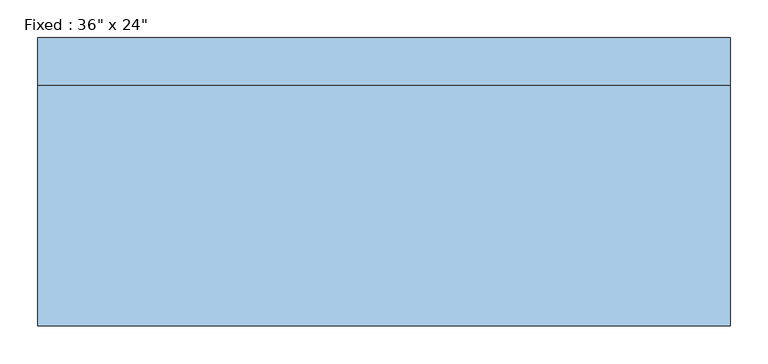
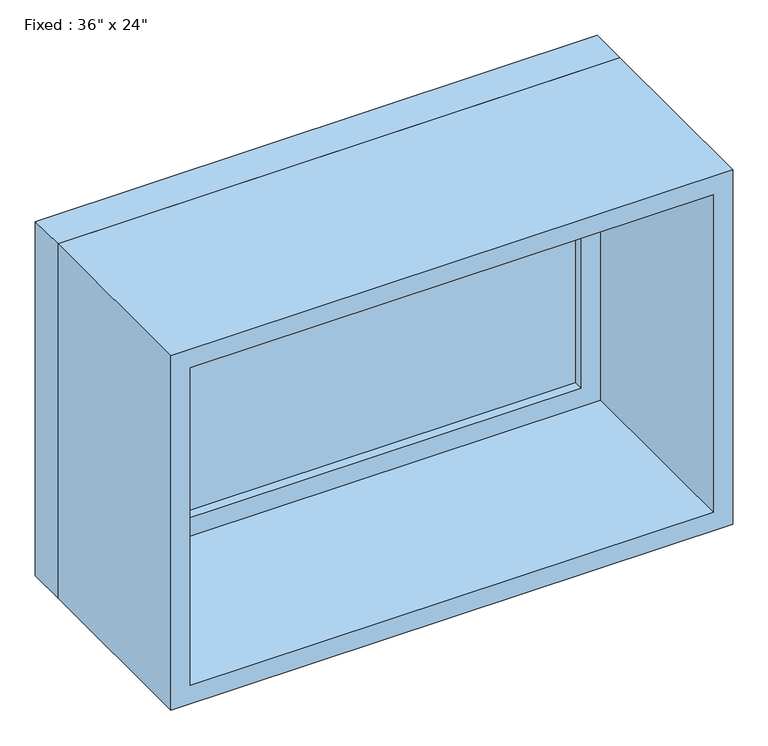
"""IFC4 building model written with IfcOpenShell, lengths in millimetres: window geometry."""

from ifc_helpers import new_model, si_unit, frame, origin, place, context, project, spatial, polyline, outline, extrude, source, transform, mapped, element, save


def window_359456e2(model_context):
    return source(origin(), model_context, "Body", "SweptSolid", [
        extrude(outline(polyline([(355.6, 142.875), (-431.8, 142.875), (-431.8, 155.575), (355.6, 155.575), (355.6, 142.875)])), frame((0.0, 0.0, 977.9), z_axis=(0.0, 0.0, 1.0), x_axis=(1.0, 0.0, 0.0)), (0.0, 0.0, 1.0), 482.6),
        extrude(outline(polyline([(1504.95, -476.25), (933.45, -476.25), (933.45, 400.05), (1504.95, 400.05), (1504.95, -476.25)]), holes=[polyline([(1460.5, -431.8), (1460.5, 355.6), (977.9, 355.6), (977.9, -431.8), (1460.5, -431.8)])]), frame((0.0, 127.0, 0.0), z_axis=(0.0, 1.0, 0.0), x_axis=(0.0, 0.0, 1.0)), (0.0, 0.0, 1.0), 44.45),
        extrude(outline(polyline([(1524.0, -495.3), (914.4, -495.3), (914.4, 419.1), (1524.0, 419.1), (1524.0, -495.3)]), holes=[polyline([(1492.25, -463.55), (1492.25, 387.35), (946.15, 387.35), (946.15, -463.55), (1492.25, -463.55)])]), frame((0.0, -190.5, 0.0), z_axis=(0.0, 1.0, 0.0), x_axis=(0.0, 0.0, 1.0)), (0.0, 0.0, 1.0), 317.5),
        extrude(outline(polyline([(1524.0, 419.1), (1524.0, -495.3), (914.4, -495.3), (914.4, 419.1), (1524.0, 419.1)]), holes=[polyline([(1504.95, 400.05), (933.45, 400.05), (933.45, -476.25), (1504.95, -476.25), (1504.95, 400.05)])]), frame((0.0, 127.0, 0.0), z_axis=(0.0, 1.0, 0.0), x_axis=(0.0, 0.0, 1.0)), (0.0, 0.0, 1.0), 63.5),
    ])


if __name__ == "__main__":
    model = new_model("IFC4")
    model_context = context("Model", 3, world=origin())
    ifc_project = project(units=[si_unit("LENGTHUNIT", "METRE", prefix="MILLI")], contexts=[model_context])
    site = spatial("IfcSite", under=ifc_project)
    building = spatial("IfcBuilding", under=site)
    placement = place(None, origin())
    window_shape = window_359456e2(model_context)
    element("IfcWindow", 1, ObjectType="Fixed : 36\" x 24\"", at=placement, inside=building, context=model_context, shape_type="MappedRepresentation", body=[
        mapped(window_shape, transform((0.0, 0.0, 0.0), x_axis=(1.0, 0.0, 0.0), y_axis=(0.0, 1.0, 0.0), z_axis=(0.0, 0.0, 1.0))),
    ])
    save(model, "model.ifc")
